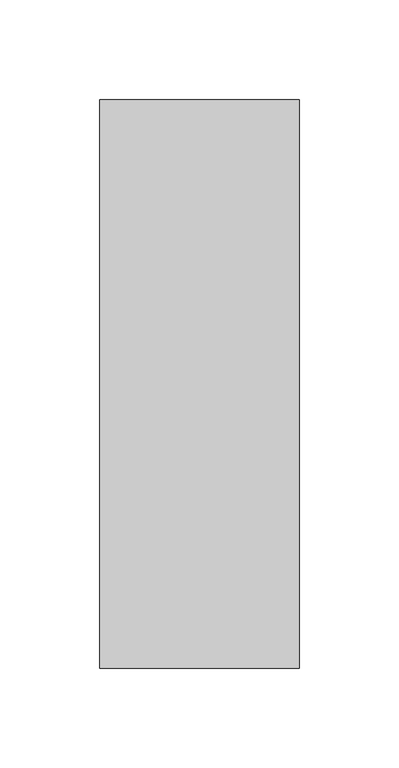
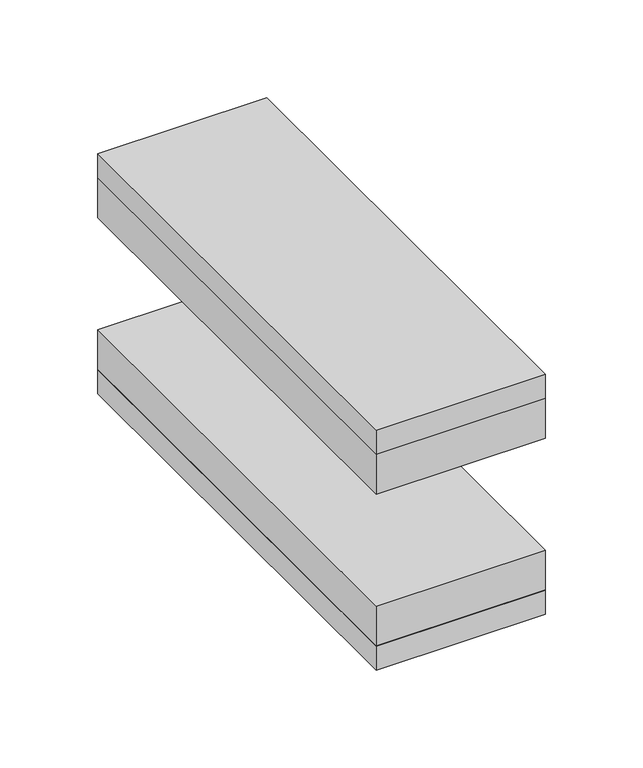
"""IFC4 building model written with IfcOpenShell, lengths in millimetres: proxy geometry."""

from ifc_helpers import new_model, si_unit, frame, origin, place, context, project, spatial, polyline, outline, extrude, source, transform, mapped, element, save


def specialty_equipment_4650830a(model_context):
    return source(origin(), model_context, "Body", "SweptSolid", [
        extrude(outline(polyline([(50.0, 142.5), (50.0, -142.5), (-50.0, -142.5), (-50.0, 142.5), (50.0, 142.5)])), frame((0.0, 0.0, -15.0), z_axis=(0.0, 0.0, 1.0), x_axis=(1.0, 0.0, 0.0)), (0.0, 0.0, 1.0), 15.0),
        extrude(outline(polyline([(50.0, 142.5), (50.0, -142.5), (-50.0, -142.5), (-50.0, 142.5), (50.0, 142.5)])), frame((0.0, 0.0, -40.0), z_axis=(0.0, 0.0, 1.0), x_axis=(1.0, 0.0, 0.0)), (0.0, 0.0, 1.0), 25.0),
        extrude(outline(polyline([(50.0, 142.5), (50.0, -142.5), (-50.0, -142.5), (-50.0, 142.5), (50.0, 142.5)])), frame((0.0, 0.0, -150.0), z_axis=(0.0, 0.0, 1.0), x_axis=(1.0, 0.0, 0.0)), (0.0, 0.0, 1.0), 15.0),
        extrude(outline(polyline([(50.0, 142.5), (50.0, -142.5), (-50.0, -142.5), (-50.0, 142.5), (50.0, 142.5)])), frame((0.0, 0.0, -135.0), z_axis=(0.0, 0.0, 1.0), x_axis=(1.0, 0.0, 0.0)), (0.0, 0.0, 1.0), 25.0),
    ])


if __name__ == "__main__":
    model = new_model("IFC4")
    model_context = context("Model", 3, world=origin())
    ifc_project = project(units=[si_unit("LENGTHUNIT", "METRE", prefix="MILLI")], contexts=[model_context])
    site = spatial("IfcSite", under=ifc_project)
    building = spatial("IfcBuilding", under=site)
    placement = place(None, origin())
    specialty_equipment_shape = specialty_equipment_4650830a(model_context)
    element("IfcBuildingElementProxy", 1, Name="Specialty Equipment", at=placement, inside=building, context=model_context, shape_type="MappedRepresentation", body=[
        mapped(specialty_equipment_shape, transform((0.0, 0.0, 0.0), x_axis=(1.0, 0.0, 0.0), y_axis=(0.0, 1.0, 0.0), z_axis=(0.0, 0.0, 1.0))),
    ])
    save(model, "model.ifc")
